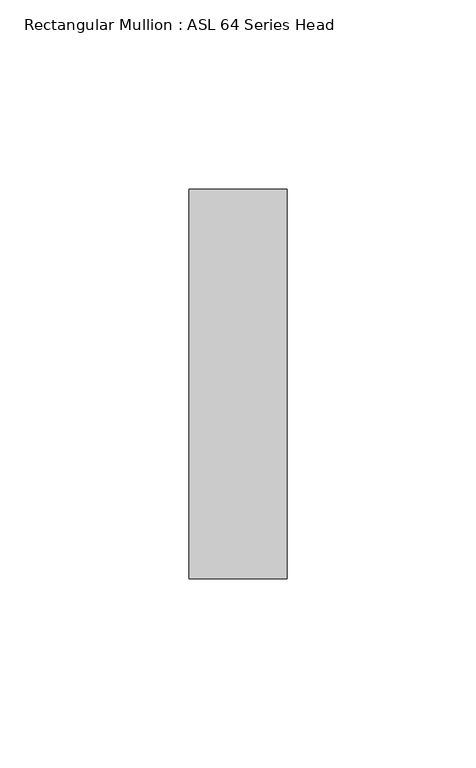
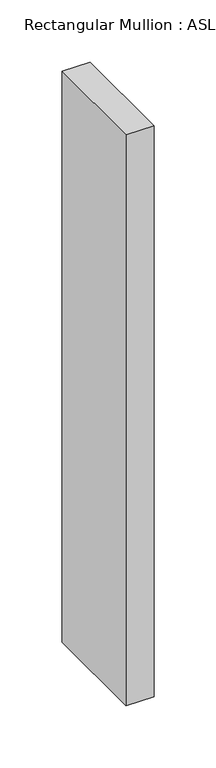
"""IFC4 building model written with IfcOpenShell, lengths in millimetres: member geometry, Rectangular Mullion : ASL 64 Series Head."""

from ifc_helpers import new_model, si_unit, frame, origin, place, context, project, spatial, polyline, outline, extrude, source, transform, mapped, element, save


def rectangular_mullion_asl_64_series_head_d196281a(model_context):
    return source(origin(), model_context, "Body", "SweptSolid", [
        extrude(outline(polyline([(0.0, 51.5), (0.0, -51.5), (-26.0, -51.5), (-26.0, 51.5), (0.0, 51.5)])), frame((0.0, 0.0, -561.0), z_axis=(0.0, 0.0, 1.0), x_axis=(1.0, 0.0, 0.0)), (0.0, 0.0, 1.0), 561.0),
    ])


if __name__ == "__main__":
    model = new_model("IFC4")
    model_context = context("Model", 3, world=origin())
    ifc_project = project(units=[si_unit("LENGTHUNIT", "METRE", prefix="MILLI")], contexts=[model_context])
    site = spatial("IfcSite", under=ifc_project)
    building = spatial("IfcBuilding", under=site)
    placement = place(None, origin())
    rectangular_mullion_asl_64_series_head_shape = rectangular_mullion_asl_64_series_head_d196281a(model_context)
    element("IfcMember", 1, ObjectType="Rectangular Mullion : ASL 64 Series Head", at=placement, inside=building, context=model_context, shape_type="MappedRepresentation", body=[
        mapped(rectangular_mullion_asl_64_series_head_shape, transform((0.0, 0.0, 0.0), x_axis=(1.0, 0.0, 0.0), y_axis=(0.0, 1.0, 0.0), z_axis=(0.0, 0.0, 1.0))),
    ])
    save(model, "model.ifc")
